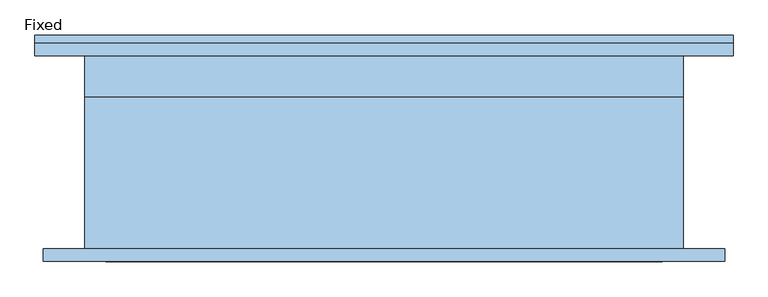
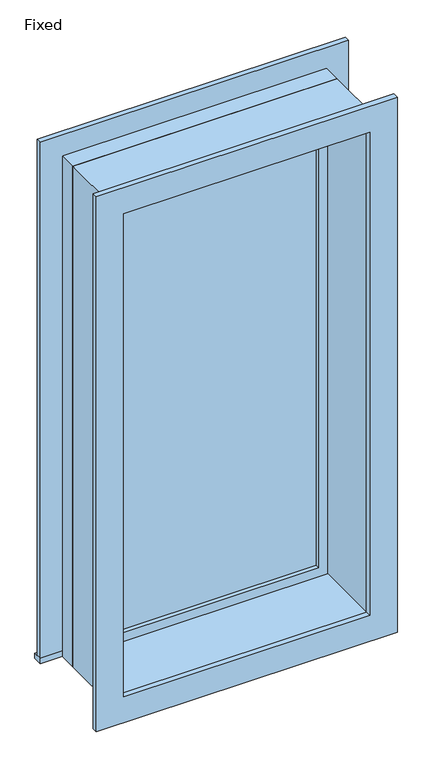
"""IFC4 building model written with IfcOpenShell, lengths in millimetres: window geometry, Fixed."""

from ifc_helpers import new_model, si_unit, frame, origin, place, context, project, spatial, polyline, outline, extrude, source, transform, mapped, element, save


def fixed_6768491c(model_context):
    return source(origin(), model_context, "Body", "SweptSolid", [
        extrude(outline(polyline([(-571.5, 179.3875), (495.3, 179.3875), (495.3, 147.6375), (-571.5, 147.6375), (-571.5, 179.3875)])), frame((0.0, 0.0, 304.8), z_axis=(0.0, 0.0, 1.0), x_axis=(1.0, 0.0, 0.0)), (0.0, 0.0, 1.0), 19.05),
        extrude(outline(polyline([(2114.55, -476.25), (2114.55, 400.05), (323.85, 400.05), (323.85, 495.3), (2209.8, 495.3), (2209.8, -571.5), (323.85, -571.5), (323.85, -476.25), (2114.55, -476.25)])), frame((0.0, 147.6375, 0.0), z_axis=(0.0, 1.0, 0.0), x_axis=(0.0, 0.0, 1.0)), (0.0, 0.0, 1.0), 19.05),
        extrude(outline(polyline([(2197.1, 482.6), (2197.1, -558.8), (241.3, -558.8), (241.3, 482.6), (2197.1, 482.6)]), holes=[polyline([(2101.85, 387.35), (336.55, 387.35), (336.55, -463.55), (2101.85, -463.55), (2101.85, 387.35)])]), frame((0.0, -166.6875, 0.0), z_axis=(0.0, 1.0, 0.0), x_axis=(0.0, 0.0, 1.0)), (0.0, 0.0, 1.0), 19.05),
        extrude(outline(polyline([(355.6, 100.0125), (-431.8, 100.0125), (-431.8, 112.7125), (355.6, 112.7125), (355.6, 100.0125)])), frame((0.0, 0.0, 368.3), z_axis=(0.0, 0.0, 1.0), x_axis=(1.0, 0.0, 0.0)), (0.0, 0.0, 1.0), 1701.8),
        extrude(outline(polyline([(2114.55, -476.25), (323.85, -476.25), (323.85, 400.05), (2114.55, 400.05), (2114.55, -476.25)]), holes=[polyline([(2070.1, -431.8), (2070.1, 355.6), (368.3, 355.6), (368.3, -431.8), (2070.1, -431.8)])]), frame((0.0, 84.1375, 0.0), z_axis=(0.0, 1.0, 0.0), x_axis=(0.0, 0.0, 1.0)), (0.0, 0.0, 1.0), 44.45),
        extrude(outline(polyline([(2133.6, -495.3), (304.8, -495.3), (304.8, 419.1), (2133.6, 419.1), (2133.6, -495.3)]), holes=[polyline([(2101.85, -463.55), (2101.85, 387.35), (336.55, 387.35), (336.55, -463.55), (2101.85, -463.55)])]), frame((0.0, -147.6375, 0.0), z_axis=(0.0, 1.0, 0.0), x_axis=(0.0, 0.0, 1.0)), (0.0, 0.0, 1.0), 231.775),
        extrude(outline(polyline([(2133.6, 419.1), (2133.6, -495.3), (304.8, -495.3), (304.8, 419.1), (2133.6, 419.1)]), holes=[polyline([(2114.55, 400.05), (323.85, 400.05), (323.85, -476.25), (2114.55, -476.25), (2114.55, 400.05)])]), frame((0.0, 84.1375, 0.0), z_axis=(0.0, 1.0, 0.0), x_axis=(0.0, 0.0, 1.0)), (0.0, 0.0, 1.0), 63.5),
    ])


if __name__ == "__main__":
    model = new_model("IFC4")
    model_context = context("Model", 3, world=origin())
    ifc_project = project(units=[si_unit("LENGTHUNIT", "METRE", prefix="MILLI")], contexts=[model_context])
    site = spatial("IfcSite", under=ifc_project)
    building = spatial("IfcBuilding", under=site)
    placement = place(None, origin())
    fixed_shape = fixed_6768491c(model_context)
    element("IfcWindow", 1, ObjectType="Fixed", at=placement, inside=building, context=model_context, shape_type="MappedRepresentation", body=[
        mapped(fixed_shape, transform((0.0, 0.0, 0.0), x_axis=(1.0, 0.0, 0.0), y_axis=(0.0, 1.0, 0.0), z_axis=(0.0, 0.0, 1.0))),
    ])
    save(model, "model.ifc")
